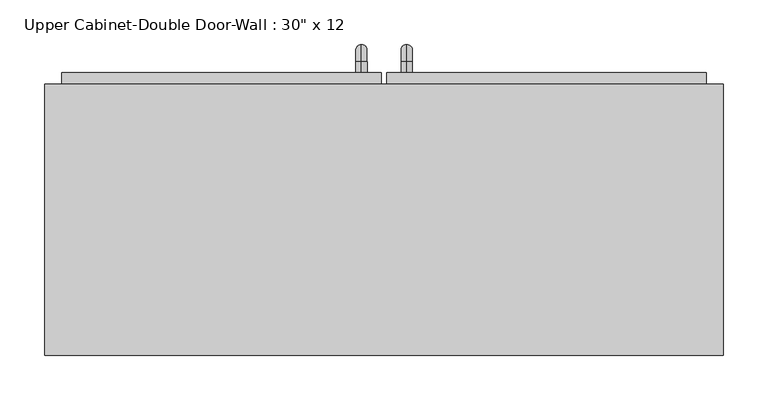
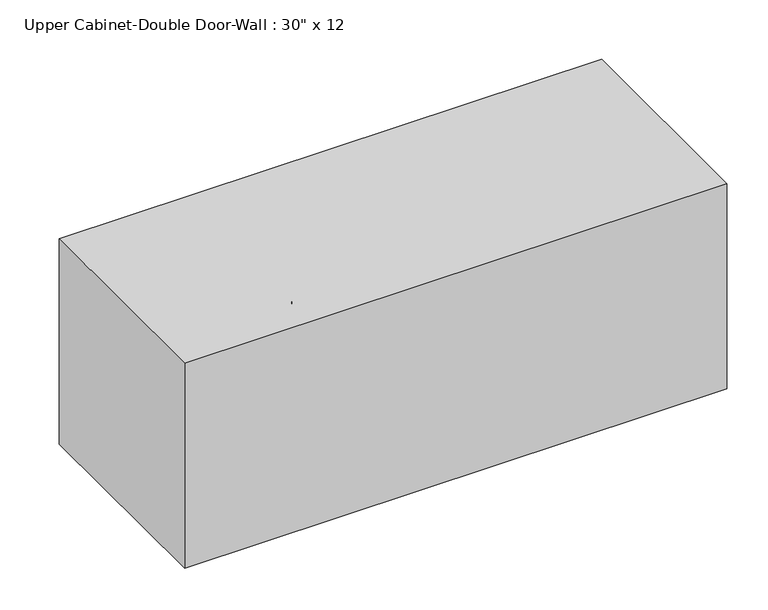
"""IFC4 building model written with IfcOpenShell, lengths in millimetres: furniture geometry."""

from ifc_helpers import new_model, si_unit, point, frame, origin, place, context, project, spatial, polyline, circle_curve, ellipse_curve, trimmed, outline, extrude, faceted_brep, source, transform, mapped, element, save
from ifc_brep_helpers import plane_surface, cylinder_surface, revolved_surface, advanced_brep


def furniture_899629a9(model_context):
    return source(origin(), model_context, "Body", "SolidModel", [
        faceted_brep([(-351.2288372, 104.775, 2133.6), (-351.2288372, 104.775, 1828.8), (410.7711628, 104.775, 1828.8), (410.7711628, 104.775, 2133.6), (-351.2288372, 409.575, 2133.6), (410.7711628, 409.575, 2133.6), (410.7711628, 409.575, 1828.8), (-351.2288372, 409.575, 1828.8), (-332.1788372, 409.575, 2114.55), (-332.1788372, 409.575, 1847.85), (391.7211628, 409.575, 1847.85), (391.7211628, 409.575, 2114.55), (391.7211628, 123.825, 2114.55), (-332.1788372, 123.825, 2114.55), (391.7211628, 123.825, 1847.85), (-332.1788372, 123.825, 1847.85)], [[[0, 1, 2, 3]], [[4, 5, 6, 7], [8, 9, 10, 11]], [[1, 0, 4, 7]], [[2, 1, 7, 6]], [[3, 2, 6, 5]], [[0, 3, 5, 4]], [[8, 11, 12, 13]], [[11, 10, 14, 12]], [[10, 9, 15, 14]], [[9, 8, 13, 15]], [[13, 12, 14, 15]]]),
        advanced_brep(
        [(55.1711628, 422.275, 1974.85), (55.1711628, 422.275, 1987.55), (55.1711628, 434.975, 1974.85), (55.1711628, 434.975, 1987.55), (55.1711628, 454.025, 1968.5), (55.1711628, 441.325, 1968.5), (55.1711628, 441.325, 1892.3), (55.1711628, 454.025, 1892.3), (55.1711628, 434.975, 1873.25), (55.1711628, 434.975, 1885.95), (55.1711628, 422.275, 1885.95), (55.1711628, 422.275, 1873.25)],
        [
            (0, 1, circle_curve(frame((55.1711628, 422.275, 1981.2), z_axis=(0.0, -1.0, 0.0), x_axis=(0.0, 0.0, -1.0)), 6.35)),
            (1, 0, circle_curve(frame((55.1711628, 422.275, 1981.2), z_axis=(0.0, -1.0, 0.0), x_axis=(0.0, 0.0, -1.0)), 6.35)),
            (0, 2),
            (2, 3, circle_curve(frame((55.1711628, 434.975, 1981.2), z_axis=(0.0, -1.0, 0.0), x_axis=(0.0, 0.0, -1.0)), 6.35)),
            (3, 1),
            (3, 2, circle_curve(frame((55.1711628, 434.975, 1981.2), z_axis=(0.0, -1.0, 0.0), x_axis=(0.0, 0.0, -1.0)), 6.35)),
            (4, 3, circle_curve(frame((55.1711628, 434.975, 1968.5), z_axis=(1.0, 0.0, 0.0), x_axis=(0.0, 0.0, 1.0)), 19.05)),
            (2, 5, circle_curve(frame((55.1711628, 434.975, 1968.5), z_axis=(-1.0, 0.0, 0.0), x_axis=(0.0, 0.0, 1.0)), 6.35)),
            (5, 4, circle_curve(frame((55.1711628, 447.675, 1968.5), z_axis=(0.0, 0.0, 1.0), x_axis=(0.0, -1.0, 0.0)), 6.35)),
            (4, 5, circle_curve(frame((55.1711628, 447.675, 1968.5), z_axis=(0.0, 0.0, 1.0), x_axis=(0.0, -1.0, 0.0)), 6.35)),
            (5, 6),
            (6, 7, circle_curve(frame((55.1711628, 447.675, 1892.3), z_axis=(0.0, 0.0, 1.0), x_axis=(0.0, -1.0, 0.0)), 6.35)),
            (7, 4),
            (7, 6, circle_curve(frame((55.1711628, 447.675, 1892.3), z_axis=(0.0, 0.0, 1.0), x_axis=(0.0, -1.0, 0.0)), 6.35)),
            (8, 7, circle_curve(frame((55.1711628, 434.975, 1892.3), z_axis=(1.0, 0.0, 0.0), x_axis=(0.0, 1.0, 0.0)), 19.05)),
            (6, 9, circle_curve(frame((55.1711628, 434.975, 1892.3), z_axis=(-1.0, 0.0, 0.0), x_axis=(0.0, 1.0, 0.0)), 6.35)),
            (9, 8, circle_curve(frame((55.1711628, 434.975, 1879.6), z_axis=(0.0, 1.0, 0.0), x_axis=(0.0, 0.0, 1.0)), 6.35)),
            (8, 9, circle_curve(frame((55.1711628, 434.975, 1879.6), z_axis=(0.0, 1.0, 0.0), x_axis=(0.0, 0.0, 1.0)), 6.35)),
            (10, 11, circle_curve(frame((55.1711628, 422.275, 1879.6), z_axis=(0.0, -1.0, 0.0), x_axis=(0.0, 0.0, 1.0)), 6.35)),
            (11, 10, circle_curve(frame((55.1711628, 422.275, 1879.6), z_axis=(0.0, -1.0, 0.0), x_axis=(0.0, 0.0, 1.0)), 6.35)),
            (9, 10),
            (11, 8),
        ],
        [
            plane_surface(frame((48.8211628, 422.275, 1981.2), z_axis=(0.0, -1.0, 0.0), x_axis=(0.0, 0.0, 1.0))),
            cylinder_surface(frame((55.1711628, 422.275, 1981.2), z_axis=(0.0, -1.0, 0.0), x_axis=(0.0, 0.0, -1.0)), 6.35),
            revolved_surface(trimmed(ellipse_curve(frame((55.1711628, 434.975, 1981.2), z_axis=(0.0, -1.0, 0.0), x_axis=(0.0, 0.0, -1.0)), 6.35, 6.35), [point((55.1711628, 434.975, 1974.85))], [point((55.1711628, 434.975, 1987.55))], True, "CARTESIAN"), (55.1711628, 434.975, 1968.5), (-1.0, 0.0, 0.0)),
            revolved_surface(trimmed(ellipse_curve(frame((55.1711628, 434.975, 1981.2), z_axis=(0.0, -1.0, 0.0), x_axis=(0.0, 0.0, -1.0)), 6.35, 6.35), [point((55.1711628, 434.975, 1987.55))], [point((55.1711628, 434.975, 1974.85))], True, "CARTESIAN"), (55.1711628, 434.975, 1968.5), (-1.0, 0.0, 0.0)),
            cylinder_surface(frame((55.1711628, 447.675, 1968.5), z_axis=(0.0, 0.0, 1.0), x_axis=(0.0, -1.0, 0.0)), 6.35),
            revolved_surface(trimmed(ellipse_curve(frame((55.1711628, 447.675, 1892.3), z_axis=(0.0, 0.0, 1.0), x_axis=(0.0, -1.0, 0.0)), 6.35, 6.35), [point((55.1711628, 441.325, 1892.3))], [point((55.1711628, 454.025, 1892.3))], True, "CARTESIAN"), (55.1711628, 434.975, 1892.3), (-1.0, 0.0, 0.0)),
            revolved_surface(trimmed(ellipse_curve(frame((55.1711628, 447.675, 1892.3), z_axis=(0.0, 0.0, 1.0), x_axis=(0.0, -1.0, 0.0)), 6.35, 6.35), [point((55.1711628, 454.025, 1892.3))], [point((55.1711628, 441.325, 1892.3))], True, "CARTESIAN"), (55.1711628, 434.975, 1892.3), (-1.0, 0.0, 0.0)),
            plane_surface(frame((48.8211628, 422.275, 1879.6), z_axis=(0.0, -1.0, 0.0), x_axis=(0.0, 0.0, -1.0))),
            cylinder_surface(frame((55.1711628, 434.975, 1879.6), z_axis=(0.0, 1.0, 0.0), x_axis=(0.0, 0.0, 1.0)), 6.35),
        ],
        [
            (0, [[1, 2]]),
            (1, [[-1, 3, 4, 5]]),
            (1, [[-2, -5, 6, -3]]),
            (2, [[7, -4, 8, 9]]),
            (3, [[-8, -6, -7, 10]]),
            (4, [[-9, 11, 12, 13]]),
            (4, [[-10, -13, 14, -11]]),
            (5, [[15, -12, 16, 17]]),
            (6, [[-16, -14, -15, 18]]),
            (7, [[19, 20]]),
            (8, [[-17, 21, -20, 22]]),
            (8, [[-18, -22, -19, -21]]),
        ],
    ),
        advanced_brep(
        [(4.3711628, 422.275, 1974.85), (4.3711628, 422.275, 1987.55), (4.3711628, 434.975, 1974.85), (4.3711628, 434.975, 1987.55), (4.3711628, 454.025, 1968.5), (4.3711628, 441.325, 1968.5), (4.3711628, 441.325, 1892.3), (4.3711628, 454.025, 1892.3), (4.3711628, 434.975, 1873.25), (4.3711628, 434.975, 1885.95), (4.3711628, 422.275, 1885.95), (4.3711628, 422.275, 1873.25)],
        [
            (0, 1, circle_curve(frame((4.3711628, 422.275, 1981.2), z_axis=(0.0, -1.0, 0.0), x_axis=(0.0, 0.0, 1.0)), 6.35)),
            (1, 0, circle_curve(frame((4.3711628, 422.275, 1981.2), z_axis=(0.0, -1.0, 0.0), x_axis=(0.0, 0.0, 1.0)), 6.35)),
            (0, 2),
            (2, 3, circle_curve(frame((4.3711628, 434.975, 1981.2), z_axis=(0.0, -1.0, 0.0), x_axis=(0.0, 0.0, 1.0)), 6.35)),
            (3, 1),
            (3, 2, circle_curve(frame((4.3711628, 434.975, 1981.2), z_axis=(0.0, -1.0, 0.0), x_axis=(0.0, 0.0, 1.0)), 6.35)),
            (4, 3, circle_curve(frame((4.3711628, 434.975, 1968.5), z_axis=(1.0, 0.0, 0.0), x_axis=(0.0, 0.0, 1.0)), 19.05)),
            (2, 5, circle_curve(frame((4.3711628, 434.975, 1968.5), z_axis=(-1.0, 0.0, 0.0), x_axis=(0.0, 0.0, 1.0)), 6.35)),
            (5, 4, circle_curve(frame((4.3711628, 447.675, 1968.5), z_axis=(0.0, 0.0, 1.0), x_axis=(0.0, 1.0, 0.0)), 6.35)),
            (4, 5, circle_curve(frame((4.3711628, 447.675, 1968.5), z_axis=(0.0, 0.0, 1.0), x_axis=(0.0, 1.0, 0.0)), 6.35)),
            (5, 6),
            (6, 7, circle_curve(frame((4.3711628, 447.675, 1892.3), z_axis=(0.0, 0.0, 1.0), x_axis=(0.0, 1.0, 0.0)), 6.35)),
            (7, 4),
            (7, 6, circle_curve(frame((4.3711628, 447.675, 1892.3), z_axis=(0.0, 0.0, 1.0), x_axis=(0.0, 1.0, 0.0)), 6.35)),
            (8, 7, circle_curve(frame((4.3711628, 434.975, 1892.3), z_axis=(1.0, 0.0, 0.0), x_axis=(0.0, 1.0, 0.0)), 19.05)),
            (6, 9, circle_curve(frame((4.3711628, 434.975, 1892.3), z_axis=(-1.0, 0.0, 0.0), x_axis=(0.0, 1.0, 0.0)), 6.35)),
            (9, 8, circle_curve(frame((4.3711628, 434.975, 1879.6), z_axis=(0.0, 1.0, 0.0), x_axis=(0.0, 0.0, -1.0)), 6.35)),
            (8, 9, circle_curve(frame((4.3711628, 434.975, 1879.6), z_axis=(0.0, 1.0, 0.0), x_axis=(0.0, 0.0, -1.0)), 6.35)),
            (10, 11, circle_curve(frame((4.3711628, 422.275, 1879.6), z_axis=(0.0, -1.0, 0.0), x_axis=(0.0, 0.0, -1.0)), 6.35)),
            (11, 10, circle_curve(frame((4.3711628, 422.275, 1879.6), z_axis=(0.0, -1.0, 0.0), x_axis=(0.0, 0.0, -1.0)), 6.35)),
            (9, 10),
            (11, 8),
        ],
        [
            plane_surface(frame((-1.9788372, 422.275, 1981.2), z_axis=(0.0, -1.0, 0.0), x_axis=(0.0, 0.0, 1.0))),
            cylinder_surface(frame((4.3711628, 422.275, 1981.2), z_axis=(0.0, -1.0, 0.0), x_axis=(0.0, 0.0, 1.0)), 6.35),
            revolved_surface(trimmed(ellipse_curve(frame((4.3711628, 434.975, 1981.2), z_axis=(0.0, -1.0, 0.0), x_axis=(0.0, 0.0, 1.0)), 6.35, 6.35), [point((4.3711628, 434.975, 1974.85))], [point((4.3711628, 434.975, 1987.55))], True, "CARTESIAN"), (4.3711628, 434.975, 1968.5), (-1.0, 0.0, 0.0)),
            revolved_surface(trimmed(ellipse_curve(frame((4.3711628, 434.975, 1981.2), z_axis=(0.0, -1.0, 0.0), x_axis=(0.0, 0.0, 1.0)), 6.35, 6.35), [point((4.3711628, 434.975, 1987.55))], [point((4.3711628, 434.975, 1974.85))], True, "CARTESIAN"), (4.3711628, 434.975, 1968.5), (-1.0, 0.0, 0.0)),
            cylinder_surface(frame((4.3711628, 447.675, 1968.5), z_axis=(0.0, 0.0, 1.0), x_axis=(0.0, 1.0, 0.0)), 6.35),
            revolved_surface(trimmed(ellipse_curve(frame((4.3711628, 447.675, 1892.3), z_axis=(0.0, 0.0, 1.0), x_axis=(0.0, 1.0, 0.0)), 6.35, 6.35), [point((4.3711628, 441.325, 1892.3))], [point((4.3711628, 454.025, 1892.3))], True, "CARTESIAN"), (4.3711628, 434.975, 1892.3), (-1.0, 0.0, 0.0)),
            revolved_surface(trimmed(ellipse_curve(frame((4.3711628, 447.675, 1892.3), z_axis=(0.0, 0.0, 1.0), x_axis=(0.0, 1.0, 0.0)), 6.35, 6.35), [point((4.3711628, 454.025, 1892.3))], [point((4.3711628, 441.325, 1892.3))], True, "CARTESIAN"), (4.3711628, 434.975, 1892.3), (-1.0, 0.0, 0.0)),
            plane_surface(frame((-1.9788372, 422.275, 1879.6), z_axis=(0.0, -1.0, 0.0), x_axis=(0.0, 0.0, -1.0))),
            cylinder_surface(frame((4.3711628, 434.975, 1879.6), z_axis=(0.0, 1.0, 0.0), x_axis=(0.0, 0.0, -1.0)), 6.35),
        ],
        [
            (0, [[1, 2]]),
            (1, [[-1, 3, 4, 5]]),
            (1, [[-2, -5, 6, -3]]),
            (2, [[7, -4, 8, 9]]),
            (3, [[-8, -6, -7, 10]]),
            (4, [[-9, 11, 12, 13]]),
            (4, [[-10, -13, 14, -11]]),
            (5, [[15, -12, 16, 17]]),
            (6, [[-16, -14, -15, 18]]),
            (7, [[19, 20]]),
            (8, [[-17, 21, -20, 22]]),
            (8, [[-18, -22, -19, -21]]),
        ],
    ),
        extrude(outline(polyline([(32.9461628, 422.275), (391.7211628, 422.275), (391.7211628, 390.525), (32.9461628, 390.525), (32.9461628, 422.275)])), frame((0.0, 0.0, 1847.85), z_axis=(0.0, 0.0, 1.0), x_axis=(1.0, 0.0, 0.0)), (0.0, 0.0, 1.0), 266.7),
        extrude(outline(polyline([(-332.1788372, 422.275), (26.5961628, 422.275), (26.5961628, 390.525), (-332.1788372, 390.525), (-332.1788372, 422.275)])), frame((0.0, 0.0, 1847.85), z_axis=(0.0, 0.0, 1.0), x_axis=(1.0, 0.0, 0.0)), (0.0, 0.0, 1.0), 266.7),
    ])


if __name__ == "__main__":
    model = new_model("IFC4")
    model_context = context("Model", 3, world=origin())
    ifc_project = project(units=[si_unit("LENGTHUNIT", "METRE", prefix="MILLI")], contexts=[model_context])
    site = spatial("IfcSite", under=ifc_project)
    building = spatial("IfcBuilding", under=site)
    placement = place(None, origin())
    furniture_shape = furniture_899629a9(model_context)
    element("IfcFurniture", 1, ObjectType="Upper Cabinet-Double Door-Wall : 30\" x 12", at=placement, inside=building, context=model_context, shape_type="MappedRepresentation", body=[
        mapped(furniture_shape, transform((0.0, 0.0, 0.0), x_axis=(1.0, 0.0, 0.0), y_axis=(0.0, 1.0, 0.0), z_axis=(0.0, 0.0, 1.0))),
    ])
    save(model, "model.ifc")
